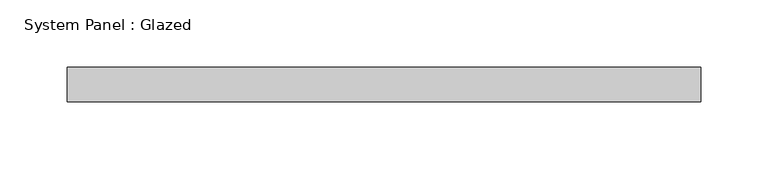
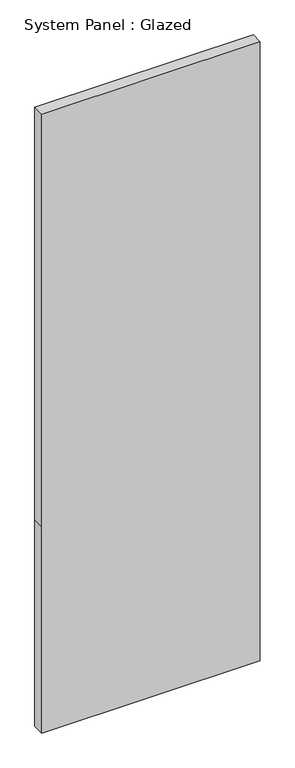
"""IFC4 building model written with IfcOpenShell, lengths in millimetres: plate geometry, System Panel : Glazed."""

from ifc_helpers import new_model, si_unit, frame, origin, place, context, project, spatial, polyline, outline, extrude, source, transform, mapped, element, save


def system_panel_glazed_dd227838(model_context):
    return source(origin(), model_context, "Body", "SweptSolid", [
        extrude(outline(polyline([(0.0, -234.6092615), (0.0, 234.6092615), (468.25, 234.6092615), (1404.75, 234.6092615), (1404.75, -234.6092615), (468.25, -234.6092615), (0.0, -234.6092615)])), frame((0.0, 19.05, 0.0), z_axis=(0.0, 1.0, 0.0), x_axis=(0.0, 0.0, 1.0)), (0.0, 0.0, 1.0), 25.4),
    ])


if __name__ == "__main__":
    model = new_model("IFC4")
    model_context = context("Model", 3, world=origin())
    ifc_project = project(units=[si_unit("LENGTHUNIT", "METRE", prefix="MILLI")], contexts=[model_context])
    site = spatial("IfcSite", under=ifc_project)
    building = spatial("IfcBuilding", under=site)
    placement = place(None, origin())
    system_panel_glazed_shape = system_panel_glazed_dd227838(model_context)
    element("IfcPlate", 1, ObjectType="System Panel : Glazed", at=placement, inside=building, context=model_context, shape_type="MappedRepresentation", body=[
        mapped(system_panel_glazed_shape, transform((0.0, 0.0, 0.0), x_axis=(1.0, 0.0, 0.0), y_axis=(0.0, 1.0, 0.0), z_axis=(0.0, 0.0, 1.0))),
    ])
    save(model, "model.ifc")
